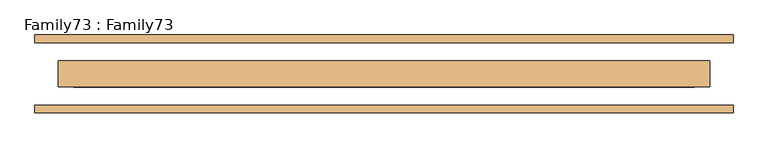
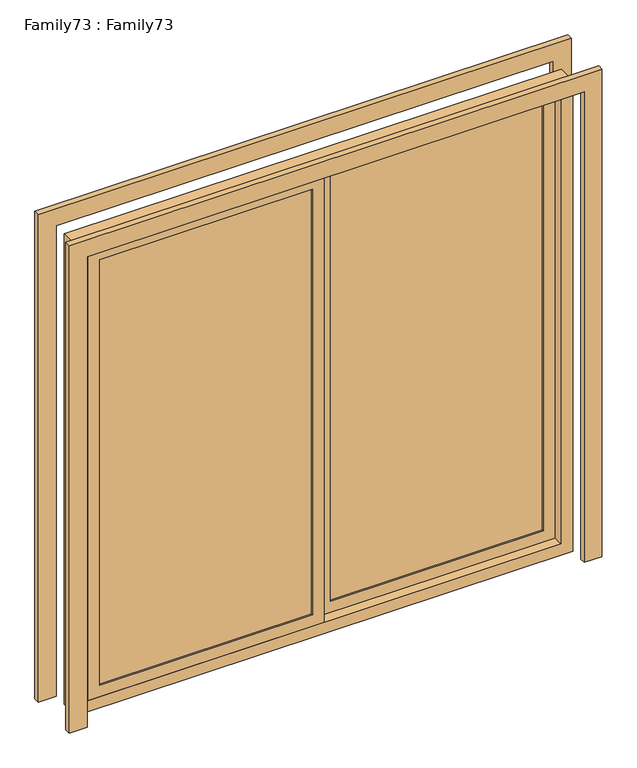
"""IFC4 building model written with IfcOpenShell, lengths in millimetres: door geometry, Family73 : Family73."""

from ifc_helpers import new_model, si_unit, frame, origin, place, context, project, spatial, polyline, outline, extrude, source, transform, mapped, element, save


def family73_family73_f3e99a0f(model_context):
    return source(origin(), model_context, "Body", "SweptSolid", [
        extrude(outline(polyline([(2090.0, -1045.0), (2090.0, 1045.0), (0.0, 1045.0), (0.0, 1120.0), (2165.0, 1120.0), (2165.0, -1120.0), (0.0, -1120.0), (0.0, -1045.0), (2090.0, -1045.0)])), frame((0.0, 100.0, 0.0), z_axis=(0.0, 1.0, 0.0), x_axis=(0.0, 0.0, 1.0)), (0.0, 0.0, 1.0), 25.0),
        extrude(outline(polyline([(2165.0, -1120.0), (0.0, -1120.0), (0.0, -1045.0), (2090.0, -1045.0), (2090.0, 1045.0), (0.0, 1045.0), (0.0, 1120.0), (2165.0, 1120.0), (2165.0, -1120.0)])), frame((0.0, -125.0, 0.0), z_axis=(0.0, 1.0, 0.0), x_axis=(0.0, 0.0, 1.0)), (0.0, 0.0, 1.0), 25.0),
        extrude(outline(polyline([(-50.0, -31.0), (-50.0, -35.0), (-945.0, -35.0), (-945.0, -31.0), (-50.0, -31.0)])), frame((0.0, 0.0, 100.0), z_axis=(0.0, 0.0, 1.0), x_axis=(1.0, 0.0, 0.0)), (0.0, 0.0, 1.0), 1890.0),
        extrude(outline(polyline([(-945.0, -7.0), (-50.0, -7.0), (-50.0, -11.0), (-945.0, -11.0), (-945.0, -7.0)])), frame((0.0, 0.0, 100.0), z_axis=(0.0, 0.0, 1.0), x_axis=(1.0, 0.0, 0.0)), (0.0, 0.0, 1.0), 1890.0),
        extrude(outline(polyline([(945.0, 11.0), (945.0, 7.0), (50.0, 7.0), (50.0, 11.0), (945.0, 11.0)])), frame((0.0, 0.0, 100.0), z_axis=(0.0, 0.0, 1.0), x_axis=(1.0, 0.0, 0.0)), (0.0, 0.0, 1.0), 1890.0),
        extrude(outline(polyline([(50.0, 31.0), (50.0, 35.0), (945.0, 35.0), (945.0, 31.0), (50.0, 31.0)])), frame((0.0, 0.0, 100.0), z_axis=(0.0, 0.0, 1.0), x_axis=(1.0, 0.0, 0.0)), (0.0, 0.0, 1.0), 1890.0),
        extrude(outline(polyline([(2040.0, 995.0), (2040.0, 0.0), (50.0, 0.0), (50.0, 995.0), (2040.0, 995.0)]), holes=[polyline([(100.0, 945.0), (100.0, 50.0), (1990.0, 50.0), (1990.0, 945.0), (100.0, 945.0)])]), frame((0.0, 0.0, 0.0), z_axis=(0.0, 1.0, 0.0), x_axis=(0.0, 0.0, 1.0)), (0.0, 0.0, 1.0), 42.0),
        extrude(outline(polyline([(2040.0, 0.0), (2040.0, -995.0), (50.0, -995.0), (50.0, 0.0), (2040.0, 0.0)]), holes=[polyline([(100.0, -50.0), (100.0, -945.0), (1990.0, -945.0), (1990.0, -50.0), (100.0, -50.0)])]), frame((0.0, -42.0, 0.0), z_axis=(0.0, 1.0, 0.0), x_axis=(0.0, 0.0, 1.0)), (0.0, 0.0, 1.0), 42.0),
        extrude(outline(polyline([(2090.0, 1045.0), (2090.0, -1045.0), (0.0, -1045.0), (0.0, 1045.0), (2090.0, 1045.0)]), holes=[polyline([(50.0, -995.0), (2040.0, -995.0), (2040.0, 995.0), (50.0, 995.0), (50.0, -995.0)])]), frame((0.0, -42.0, 0.0), z_axis=(0.0, 1.0, 0.0), x_axis=(0.0, 0.0, 1.0)), (0.0, 0.0, 1.0), 84.0),
    ])


if __name__ == "__main__":
    model = new_model("IFC4")
    model_context = context("Model", 3, world=origin())
    ifc_project = project(units=[si_unit("LENGTHUNIT", "METRE", prefix="MILLI")], contexts=[model_context])
    site = spatial("IfcSite", under=ifc_project)
    building = spatial("IfcBuilding", under=site)
    placement = place(None, origin())
    family73_family73_shape = family73_family73_f3e99a0f(model_context)
    element("IfcDoor", 1, ObjectType="Family73 : Family73", at=placement, inside=building, context=model_context, shape_type="MappedRepresentation", body=[
        mapped(family73_family73_shape, transform((0.0, 0.0, 0.0), x_axis=(1.0, 0.0, 0.0), y_axis=(0.0, 1.0, 0.0), z_axis=(0.0, 0.0, 1.0))),
    ])
    save(model, "model.ifc")
